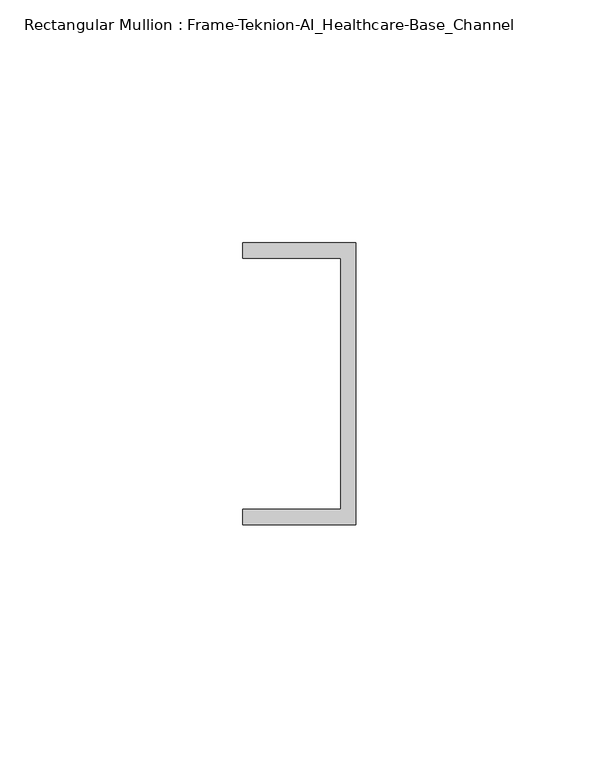
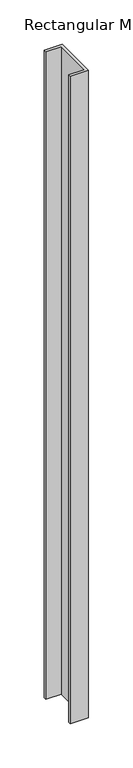
"""IFC4 building model written with IfcOpenShell, lengths in millimetres: member geometry, Rectangular Mullion : Frame-Teknion-AI_Healthcare-Base_Channel."""

from ifc_helpers import new_model, si_unit, frame, origin, place, context, project, spatial, polyline, outline, extrude, source, transform, mapped, element, save


def rectangular_mullion_frame_teknion_ai_healthcare_base_channel_c76cf18d(model_context):
    return source(origin(), model_context, "Body", "SweptSolid", [
        extrude(outline(polyline([(0.0, -29.0214844), (-23.3164063, -29.0214844), (-23.3164063, -25.8464844), (-3.175, -25.8464844), (-3.175, 25.8464844), (-23.3164063, 25.8464844), (-23.3164063, 29.0214844), (0.0, 29.0214844), (0.0, -29.0214844)])), frame((0.0, 0.0, -889.0), z_axis=(0.0, 0.0, 1.0), x_axis=(1.0, 0.0, 0.0)), (0.0, 0.0, 1.0), 889.0),
    ])


if __name__ == "__main__":
    model = new_model("IFC4")
    model_context = context("Model", 3, world=origin())
    ifc_project = project(units=[si_unit("LENGTHUNIT", "METRE", prefix="MILLI")], contexts=[model_context])
    site = spatial("IfcSite", under=ifc_project)
    building = spatial("IfcBuilding", under=site)
    placement = place(None, origin())
    rectangular_mullion_frame_teknion_ai_healthcare_base_channel_shape = rectangular_mullion_frame_teknion_ai_healthcare_base_channel_c76cf18d(model_context)
    element("IfcMember", 1, ObjectType="Rectangular Mullion : Frame-Teknion-AI_Healthcare-Base_Channel", at=placement, inside=building, context=model_context, shape_type="MappedRepresentation", body=[
        mapped(rectangular_mullion_frame_teknion_ai_healthcare_base_channel_shape, transform((0.0, 0.0, 0.0), x_axis=(1.0, 0.0, 0.0), y_axis=(0.0, 1.0, 0.0), z_axis=(0.0, 0.0, 1.0))),
    ])
    save(model, "model.ifc")
